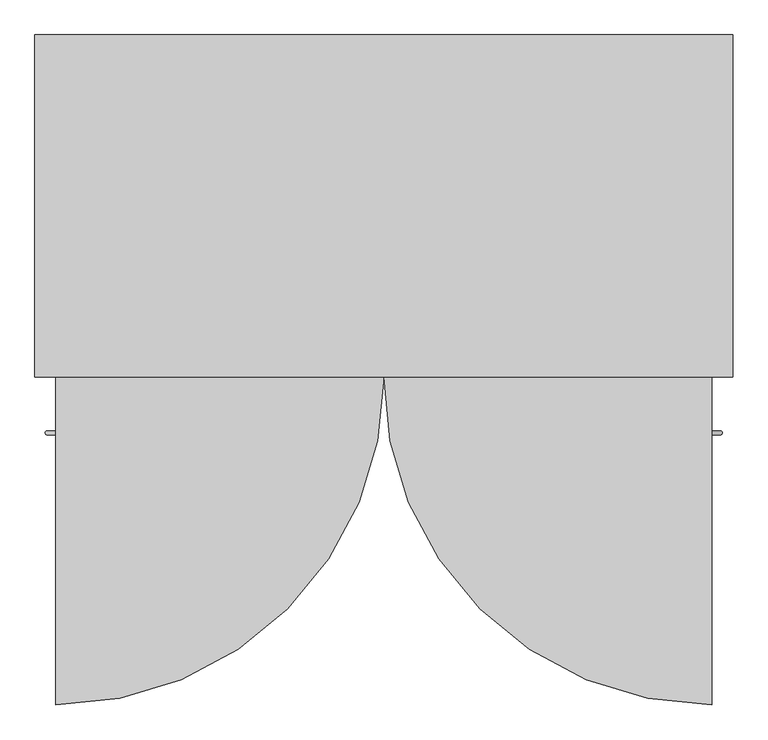
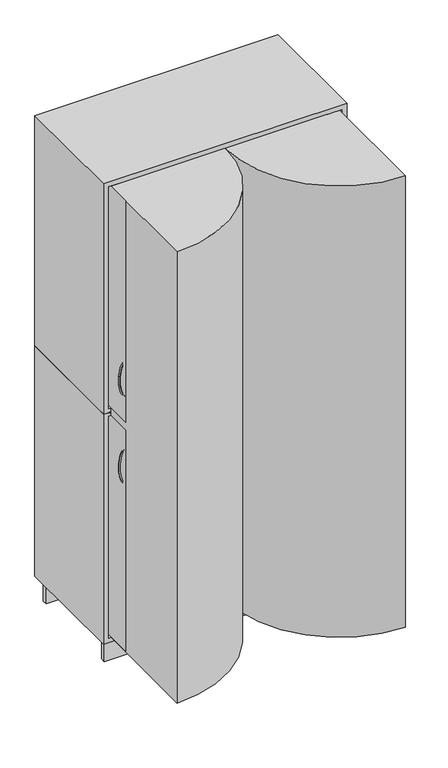
"""IFC4 building model written with IfcOpenShell, lengths in millimetres: furniture geometry."""

import ifcopenshell
import ifcopenshell.guid

model = None  # the IFC model being written
_history = None  # IfcOwnerHistory: only IFC2X3 demands one
_inside = {}  # id of a spatial element -> (the spatial element, [elements in it])
_under = {}  # id of a project, library or spatial element -> (it, [spatial elements below it])
_declared = {}  # id of a project -> (the project, [libraries it declares])
_typed = {}  # id of a type object -> (the type object, [elements of that type])
_made_of = {}  # id of a material, layer set ... -> (it, [elements and type objects made of it])


def new_model(schema):
    """Start an empty IFC model of exactly this schema.

    Asked for "IFC4X3", IfcOpenShell would pick the latest addendum, in which some entities
    have other attributes; the version numbers below select the first issue.
    IFC2X3 requires an IfcOwnerHistory on every rooted entity: one is made here for all.
    """
    global model, _history
    if schema == "IFC4X3":
        model = ifcopenshell.file(schema_version=(4, 3, 0, 0))
    else:
        model = ifcopenshell.file(schema=schema)
    _inside.clear()
    _under.clear()
    _declared.clear()
    _typed.clear()
    _made_of.clear()
    _history = None
    if model.schema == "IFC2X3":
        org = make("IfcOrganization", Name="unknown")
        user = make(
            "IfcPersonAndOrganization",
            ThePerson=make("IfcPerson", FamilyName="unknown"),
            TheOrganization=org,
        )
        app = make(
            "IfcApplication",
            ApplicationDeveloper=org,
            Version="unknown",
            ApplicationFullName="unknown",
            ApplicationIdentifier="unknown",
        )
        _history = make(
            "IfcOwnerHistory",
            OwningUser=user,
            OwningApplication=app,
            ChangeAction="ADDED",
            CreationDate=0,
        )
    return model


def make(cls, **values):
    """One entity of the class cls with the attributes given. An attribute that is None is left unset."""
    return model.create_entity(
        cls, **{name: value for name, value in values.items() if value is not None}
    )


def rooted(cls, **values):
    """An entity with a GlobalId (a new one), such as an element, a storey or a relation."""
    return make(cls, GlobalId=ifcopenshell.guid.new(), OwnerHistory=_history, **values)


def si_unit(unit_type, name, prefix=None):
    """IfcSIUnit, for example si_unit("LENGTHUNIT", "METRE", prefix="MILLI")."""
    return make("IfcSIUnit", UnitType=unit_type, Prefix=prefix, Name=name)


def assignment(units):
    """IfcUnitAssignment: the units of a project."""
    return None if units is None else make("IfcUnitAssignment", Units=units)


def point(xyz):
    """IfcCartesianPoint."""
    return None if xyz is None else make("IfcCartesianPoint", Coordinates=xyz)


def direction(xyz):
    """IfcDirection."""
    return None if xyz is None else make("IfcDirection", DirectionRatios=xyz)


def frame(location, z_axis=None, x_axis=None):
    """IfcAxis2Placement3D, a coordinate frame: its origin and axes. An axis left out is left unset."""
    return make(
        "IfcAxis2Placement3D",
        Location=point(location),
        Axis=direction(z_axis),
        RefDirection=direction(x_axis),
    )


def frame_2d(location, x_axis=None):
    """IfcAxis2Placement2D, a coordinate frame in the plane: its origin and x axis."""
    return make(
        "IfcAxis2Placement2D", Location=point(location), RefDirection=direction(x_axis)
    )


def origin():
    """The frame at (0, 0, 0) with its axes left unset."""
    return frame((0.0, 0.0, 0.0))


def place(relative_to, where):
    """IfcLocalPlacement: puts the frame where relative to a parent placement (None: the world)."""
    return make(
        "IfcLocalPlacement", PlacementRelTo=relative_to, RelativePlacement=where
    )


def context(
    kind, dimensions, precision=None, world=None, true_north=None, identifier=None
):
    """IfcGeometricRepresentationContext, for example the 3D "Model" context."""
    return make(
        "IfcGeometricRepresentationContext",
        ContextIdentifier=identifier,
        ContextType=kind,
        CoordinateSpaceDimension=dimensions,
        Precision=precision,
        WorldCoordinateSystem=world,
        TrueNorth=true_north,
    )


def project(units=None, contexts=None):
    """IfcProject with its units and contexts."""
    return rooted(
        "IfcProject",
        Name="project",
        RepresentationContexts=contexts,
        UnitsInContext=assignment(units),
    )


def spatial(cls, under=None, at=None, **own):
    """A site, building, storey or space (cls), placed at a placement, below another one or the project."""
    s = rooted(cls, ObjectPlacement=at, **own)
    if under is not None:
        _under.setdefault(under.id(), (under, []))[1].append(s)
    return s


def polyline(points):
    """IfcPolyline through the points."""
    return make("IfcPolyline", Points=[point(p) for p in points])


def circle_curve(where, radius):
    """IfcCircle in the frame where."""
    return make("IfcCircle", Position=where, Radius=radius)


def ellipse_curve(where, semi_axis1, semi_axis2):
    """IfcEllipse in the frame where."""
    return make(
        "IfcEllipse", Position=where, SemiAxis1=semi_axis1, SemiAxis2=semi_axis2
    )


def trimmed(basis, trim1, trim2, sense, master):
    """IfcTrimmedCurve: the piece of a basis curve between two trims."""
    return make(
        "IfcTrimmedCurve",
        BasisCurve=basis,
        Trim1=trim1,
        Trim2=trim2,
        SenseAgreement=sense,
        MasterRepresentation=master,
    )


def segment(curve, same_sense, transition):
    """IfcCompositeCurveSegment."""
    return make(
        "IfcCompositeCurveSegment",
        Transition=transition,
        SameSense=same_sense,
        ParentCurve=curve,
    )


def composite_curve(segments, self_intersect=None):
    """IfcCompositeCurve: segments joined end to end."""
    return make("IfcCompositeCurve", Segments=segments, SelfIntersect=self_intersect)


def outline(outer, holes=None, kind="AREA"):
    """IfcArbitraryClosedProfileDef: a profile drawn as a closed curve; with holes, ...WithVoids."""
    if holes is None:
        return make("IfcArbitraryClosedProfileDef", ProfileType=kind, OuterCurve=outer)
    return make(
        "IfcArbitraryProfileDefWithVoids",
        ProfileType=kind,
        OuterCurve=outer,
        InnerCurves=holes,
    )


def extrude(swept, where, along, depth):
    """IfcExtrudedAreaSolid: the profile swept, set in the frame where, extruded along a direction by depth."""
    return make(
        "IfcExtrudedAreaSolid",
        SweptArea=swept,
        Position=where,
        ExtrudedDirection=direction(along),
        Depth=depth,
    )


def faces_of(points, faces, orient=None, outer=None):
    """IfcFace entities. A face is a list of loops; a loop is a list of indices into points, from 0.

    orient and outer hold one flag for each loop. By default every Orientation is true, the
    first loop of a face is its IfcFaceOuterBound and the others are IfcFaceBound.
    """
    made = []
    for i, loops in enumerate(faces):
        bounds = []
        for j, loop in enumerate(loops):
            is_outer = j == 0 if outer is None else outer[i][j]
            bounds.append(
                make(
                    "IfcFaceOuterBound" if is_outer else "IfcFaceBound",
                    Bound=make("IfcPolyLoop", Polygon=[points[k] for k in loop]),
                    Orientation=True if orient is None else orient[i][j],
                )
            )
        made.append(make("IfcFace", Bounds=bounds))
    return made


def faceted_brep(points, faces, orient=None, outer=None, voids=None):
    """IfcFacetedBrep: a solid bounded by flat faces; with voids (closed shells), ...WithVoids."""
    shared = [point(p) for p in points]
    hull = make("IfcClosedShell", CfsFaces=faces_of(shared, faces, orient, outer))
    if voids is None:
        return make("IfcFacetedBrep", Outer=hull)
    return make(
        "IfcFacetedBrepWithVoids",
        Outer=hull,
        Voids=[
            make(cls, CfsFaces=faces_of(shared, fs, o, b)) for cls, fs, o, b in voids
        ],
    )


def shape(context_of_items, identifier, shape_type, items):
    """IfcShapeRepresentation: the items that make up one representation, for example the "Body"."""
    return make(
        "IfcShapeRepresentation",
        ContextOfItems=context_of_items,
        RepresentationIdentifier=identifier,
        RepresentationType=shape_type,
        Items=items,
    )


def source(mapping_origin, context_of_items, identifier, shape_type, items):
    """IfcRepresentationMap: a shape defined once, which mapped items show again and again."""
    return make(
        "IfcRepresentationMap",
        MappingOrigin=mapping_origin,
        MappedRepresentation=shape(context_of_items, identifier, shape_type, items),
    )


def transform(
    local_origin,
    x_axis=None,
    y_axis=None,
    z_axis=None,
    scale=None,
    scale2=None,
    scale3=None,
    uniform=True,
):
    """IfcCartesianTransformationOperator3D, or its non-uniform kind. x_axis, y_axis, z_axis: its Axis1, 2, 3."""
    if uniform:
        return make(
            "IfcCartesianTransformationOperator3D",
            Axis1=direction(x_axis),
            Axis2=direction(y_axis),
            LocalOrigin=point(local_origin),
            Scale=scale,
            Axis3=direction(z_axis),
        )
    return make(
        "IfcCartesianTransformationOperator3DnonUniform",
        Axis1=direction(x_axis),
        Axis2=direction(y_axis),
        LocalOrigin=point(local_origin),
        Scale=scale,
        Axis3=direction(z_axis),
        Scale2=scale2,
        Scale3=scale3,
    )


def mapped(mapping_source, mapping_target):
    """IfcMappedItem: shows the shape of a source again, moved by a transform."""
    return make(
        "IfcMappedItem", MappingSource=mapping_source, MappingTarget=mapping_target
    )


def made_of(thing, what):
    """Note that an element or type object is made of a material, layer set ...; save() writes the relation."""
    if what is not None:
        _made_of.setdefault(what.id(), (what, []))[1].append(thing)
    return thing


def element(
    cls,
    number,
    at=None,
    inside=None,
    cuts=None,
    type_object=None,
    material=None,
    context=None,
    identifier="Body",
    shape_type=None,
    held_by="IfcProductDefinitionShape",
    body=None,
    shapes=None,
    **own,
):
    """One element of the class cls, such as IfcWall. Its Tag is "e" and its number.

    at: its placement. inside: the storey or other place that contains it. cuts: it is an
    opening in that element (IfcRelVoidsElement). A single representation is given by context,
    identifier, shape_type and body (its items); several are given by shapes. held_by: the class
    of the entity that holds the representations. save() writes the other relations.
    """
    e = rooted(cls, Tag="e%d" % number, ObjectPlacement=at, **own)
    if body is not None:
        shapes = [shape(context, identifier, shape_type, body)]
    if shapes is not None:
        e.Representation = make(held_by, Representations=shapes)
    if inside is not None:
        _inside.setdefault(inside.id(), (inside, []))[1].append(e)
    if cuts is not None:
        rooted(
            "IfcRelVoidsElement", RelatingBuildingElement=cuts, RelatedOpeningElement=e
        )
    if type_object is not None:
        _typed.setdefault(type_object.id(), (type_object, []))[1].append(e)
    return made_of(e, material)


def aggregate(whole, parts):
    """IfcRelAggregates: a whole, such as a stair, and the parts it consists of."""
    return rooted("IfcRelAggregates", RelatingObject=whole, RelatedObjects=parts)


def save(model, path):
    """Write the relations noted so far, then the file.

    IfcRelAggregates (storeys below a building ...), IfcRelContainedInSpatialStructure (elements
    in a storey), IfcRelDefinesByType, IfcRelAssociatesMaterial and IfcRelDeclares: one each for
    every whole, place, type object, material and project.
    """
    for whole, parts in _under.values():
        aggregate(whole, parts)
    for where, things in _inside.values():
        rooted(
            "IfcRelContainedInSpatialStructure",
            RelatedElements=things,
            RelatingStructure=where,
        )
    for kind, things in _typed.values():
        rooted("IfcRelDefinesByType", RelatedObjects=things, RelatingType=kind)
    for what, things in _made_of.values():
        rooted("IfcRelAssociatesMaterial", RelatedObjects=things, RelatingMaterial=what)
    for by, libraries in _declared.values():
        rooted("IfcRelDeclares", RelatingContext=by, RelatedDefinitions=libraries)
    model.write(path)


def plane_surface(at):
    """IfcPlane: the flat surface through the origin of the frame at, square to its z axis."""
    return make("IfcPlane", Position=at)


def revolved_surface(curve, axis_point, axis_direction):
    """IfcSurfaceOfRevolution: the curve turned about the line through axis_point along axis_direction."""
    return make(
        "IfcSurfaceOfRevolution",
        SweptCurve=make("IfcArbitraryOpenProfileDef", ProfileType="CURVE", Curve=curve),
        AxisPosition=make("IfcAxis1Placement", Location=point(axis_point), Axis=direction(axis_direction)),
    )


def advanced_brep(points, edges, surfaces, faces):
    """IfcAdvancedBrep: a solid bounded by faces that lie on surfaces and meet in shared edges.

    An edge is (start, end): straight between two places in points (the first is 0);
    or (start, end, curve); or (start, end, curve, False) where it runs against its curve.
    A face is (place in surfaces, loops), or (place, loops, False) where it looks against
    its surface's normal. A loop lists edges by number (the first is 1), with a minus sign
    where the edge is run from its end to its start. The first loop is the outer one.
    """
    corners = [point(p) for p in points]
    vertices = [make("IfcVertexPoint", VertexGeometry=c) for c in corners]
    made = []
    for start, end, *more in edges:
        made.append(
            make(
                "IfcEdgeCurve",
                EdgeStart=vertices[start],
                EdgeEnd=vertices[end],
                EdgeGeometry=more[0] if more else make("IfcPolyline", Points=[corners[start], corners[end]]),
                SameSense=more[1] if len(more) > 1 else True,
            )
        )
    hull = []
    for where, loops, *sense in faces:
        bounds = []
        for j, loop in enumerate(loops):
            ring = [make("IfcOrientedEdge", EdgeElement=made[abs(k) - 1], Orientation=k > 0) for k in loop]
            bounds.append(
                make(
                    "IfcFaceOuterBound" if j == 0 else "IfcFaceBound",
                    Bound=make("IfcEdgeLoop", EdgeList=ring),
                    Orientation=True,
                )
            )
        hull.append(make("IfcAdvancedFace", Bounds=bounds, FaceSurface=surfaces[where], SameSense=sense[0] if sense else True))
    return make("IfcAdvancedBrep", Outer=make("IfcClosedShell", CfsFaces=hull))


def furniture_e73c1723(model_context):
    return source(origin(), model_context, "Body", "SolidModel", [
        advanced_brep(
        [(463.9190238, -273.6958795, 828.1481519), (458.7228713, -273.6958795, 831.1481519), (463.9190238, -273.6958795, 992.6642581), (458.7228713, -273.6958795, 989.6642581)],
        [
            (0, 1, circle_curve(frame((461.3209475, -273.6958795, 829.6481519), z_axis=(-0.4999999999999887, 0.0, -0.8660254037844453), x_axis=(-0.8660254037844453, 0.0, 0.4999999999999887)), 3.0)),
            (1, 0, circle_curve(frame((461.3209475, -273.6958795, 829.6481519), z_axis=(-0.4999999999999887, 0.0, -0.8660254037844453), x_axis=(-0.8660254037844453, 0.0, 0.4999999999999887)), 3.0)),
            (2, 3, circle_curve(frame((461.3209475, -273.6958795, 991.1642581), z_axis=(-0.5000000000000103, 0.0, 0.8660254037844328), x_axis=(-0.8660254037844328, 0.0, -0.5000000000000103)), 3.0)),
            (3, 2, circle_curve(frame((461.3209475, -273.6958795, 991.1642581), z_axis=(-0.5000000000000103, 0.0, 0.8660254037844328), x_axis=(-0.8660254037844328, 0.0, -0.5000000000000103)), 3.0)),
            (3, 1, circle_curve(frame((321.4438964, -273.6958795, 910.406205), z_axis=(0.0, 1.0, 0.0), x_axis=(0.8660254037844453, 0.0, -0.4999999999999887)), 158.5161063)),
            (0, 2, circle_curve(frame((321.4438964, -273.6958795, 910.406205), z_axis=(0.0, -1.0, 0.0), x_axis=(0.8660254037844453, 0.0, -0.4999999999999887)), 164.5161063)),
        ],
        [
            plane_surface(frame((461.3209475, -298.6958795, 829.6481519), z_axis=(-0.4999999999999887, 0.0, -0.8660254037844453), x_axis=(0.0, -1.0, 0.0))),
            plane_surface(frame((461.3209475, -298.6958795, 991.1642581), z_axis=(-0.5000000000000103, 0.0, 0.8660254037844328), x_axis=(0.0, -1.0, 0.0))),
            revolved_surface(trimmed(ellipse_curve(frame((461.3209475, -273.6958795, 829.6481519), z_axis=(-0.4999999999999887, 0.0, -0.8660254037844453), x_axis=(-0.8660254037844453, 0.0, 0.4999999999999887)), 3.0, 3.0), [point((463.9190238, -273.6958795, 828.1481519))], [point((458.7228713, -273.6958795, 831.1481519))], True, "CARTESIAN"), (321.4438964, -298.6958795, 910.406205), (0.0, -1.0, 0.0)),
            revolved_surface(trimmed(ellipse_curve(frame((461.3209475, -273.6958795, 829.6481519), z_axis=(-0.4999999999999887, 0.0, -0.8660254037844453), x_axis=(-0.8660254037844453, 0.0, 0.4999999999999887)), 3.0, 3.0), [point((458.7228713, -273.6958795, 831.1481519))], [point((463.9190238, -273.6958795, 828.1481519))], True, "CARTESIAN"), (321.4438964, -298.6958795, 910.406205), (0.0, -1.0, 0.0)),
        ],
        [
            (0, [[1, 2]]),
            (1, [[3, 4]]),
            (2, [[5, -1, 6, -4]]),
            (3, [[-6, -2, -5, -3]]),
        ],
    ),
        advanced_brep(
        [(-458.7228713, -273.6958795, 831.1481519), (-463.9190238, -273.6958795, 828.1481519), (-458.7228713, -273.6958795, 989.6642581), (-463.9190238, -273.6958795, 992.6642581)],
        [
            (0, 1, circle_curve(frame((-461.3209475, -273.6958795, 829.6481519), z_axis=(0.4999999999999887, 0.0, -0.8660254037844453), x_axis=(-0.8660254037844453, 0.0, -0.4999999999999887)), 3.0)),
            (1, 0, circle_curve(frame((-461.3209475, -273.6958795, 829.6481519), z_axis=(0.4999999999999887, 0.0, -0.8660254037844453), x_axis=(-0.8660254037844453, 0.0, -0.4999999999999887)), 3.0)),
            (2, 3, circle_curve(frame((-461.3209475, -273.6958795, 991.1642581), z_axis=(0.5000000000000103, 0.0, 0.8660254037844328), x_axis=(-0.8660254037844328, 0.0, 0.5000000000000103)), 3.0)),
            (3, 2, circle_curve(frame((-461.3209475, -273.6958795, 991.1642581), z_axis=(0.5000000000000103, 0.0, 0.8660254037844328), x_axis=(-0.8660254037844328, 0.0, 0.5000000000000103)), 3.0)),
            (2, 0, circle_curve(frame((-321.4438964, -273.6958795, 910.406205), z_axis=(0.0, -1.0, 0.0), x_axis=(-0.8660254037844453, 0.0, -0.4999999999999887)), 158.5161063)),
            (1, 3, circle_curve(frame((-321.4438964, -273.6958795, 910.406205), z_axis=(0.0, 1.0, 0.0), x_axis=(-0.8660254037844453, 0.0, -0.4999999999999887)), 164.5161063)),
        ],
        [
            plane_surface(frame((-461.3209475, -298.6958795, 829.6481519), z_axis=(0.4999999999999887, 0.0, -0.8660254037844453), x_axis=(0.0, -1.0, 0.0))),
            plane_surface(frame((-461.3209475, -298.6958795, 991.1642581), z_axis=(0.5000000000000103, 0.0, 0.8660254037844328), x_axis=(0.0, -1.0, 0.0))),
            revolved_surface(trimmed(ellipse_curve(frame((-461.3209475, -273.6958795, 829.6481519), z_axis=(0.4999999999999887, 0.0, -0.8660254037844453), x_axis=(-0.8660254037844453, 0.0, -0.4999999999999887)), 3.0, 3.0), [point((-463.9190238, -273.6958795, 828.1481519))], [point((-458.7228713, -273.6958795, 831.1481519))], True, "CARTESIAN"), (-321.4438964, -298.6958795, 910.406205), (0.0, 1.0, 0.0)),
            revolved_surface(trimmed(ellipse_curve(frame((-461.3209475, -273.6958795, 829.6481519), z_axis=(0.4999999999999887, 0.0, -0.8660254037844453), x_axis=(-0.8660254037844453, 0.0, -0.4999999999999887)), 3.0, 3.0), [point((-458.7228713, -273.6958795, 831.1481519))], [point((-463.9190238, -273.6958795, 828.1481519))], True, "CARTESIAN"), (-321.4438964, -298.6958795, 910.406205), (0.0, 1.0, 0.0)),
        ],
        [
            (0, [[1, 2]]),
            (1, [[3, 4]]),
            (2, [[5, -2, 6, -3]]),
            (3, [[-6, -1, -5, -4]]),
        ],
    ),
        advanced_brep(
        [(461.3209475, -270.6958795, 1370.3518481), (461.3209475, -276.6958795, 1370.3518481), (461.3209475, -270.6958795, 1208.8357419), (461.3209475, -276.6958795, 1208.8357419)],
        [
            (0, 1, circle_curve(frame((461.3209475, -273.6958795, 1370.3518481), z_axis=(-0.4999999999999887, 0.0, 0.8660254037844453), x_axis=(0.0, -1.0, 0.0)), 3.0)),
            (1, 0, circle_curve(frame((461.3209475, -273.6958795, 1370.3518481), z_axis=(-0.4999999999999887, 0.0, 0.8660254037844453), x_axis=(0.0, -1.0, 0.0)), 3.0)),
            (2, 3, circle_curve(frame((461.3209475, -273.6958795, 1208.8357419), z_axis=(-0.5000000000000103, 0.0, -0.8660254037844328), x_axis=(0.0, -1.0, 0.0)), 3.0)),
            (3, 2, circle_curve(frame((461.3209475, -273.6958795, 1208.8357419), z_axis=(-0.5000000000000103, 0.0, -0.8660254037844328), x_axis=(0.0, -1.0, 0.0)), 3.0)),
            (2, 0, circle_curve(frame((321.4438964, -270.6958795, 1289.593795), z_axis=(0.0, -1.0, 0.0), x_axis=(0.8660254037844453, 0.0, 0.4999999999999887)), 161.5161063)),
            (1, 3, circle_curve(frame((321.4438964, -276.6958795, 1289.593795), z_axis=(0.0, 1.0, 0.0), x_axis=(0.8660254037844453, 0.0, 0.4999999999999887)), 161.5161063)),
        ],
        [
            plane_surface(frame((461.3209475, -298.6958795, 1370.3518481), z_axis=(-0.4999999999999887, 0.0, 0.8660254037844453), x_axis=(0.0, -1.0, 0.0))),
            plane_surface(frame((461.3209475, -298.6958795, 1208.8357419), z_axis=(-0.5000000000000103, 0.0, -0.8660254037844328), x_axis=(0.0, -1.0, 0.0))),
            revolved_surface(trimmed(ellipse_curve(frame((461.3209475, -273.6958795, 1370.3518481), z_axis=(-0.4999999999999887, 0.0, 0.8660254037844453), x_axis=(0.0, -1.0, 0.0)), 3.0, 3.0), [point((461.3209475, -276.6958795, 1370.3518481))], [point((461.3209475, -270.6958795, 1370.3518481))], True, "CARTESIAN"), (321.4438964, -298.6958795, 1289.593795), (0.0, 1.0, 0.0)),
            revolved_surface(trimmed(ellipse_curve(frame((461.3209475, -273.6958795, 1370.3518481), z_axis=(-0.4999999999999887, 0.0, 0.8660254037844453), x_axis=(0.0, -1.0, 0.0)), 3.0, 3.0), [point((461.3209475, -270.6958795, 1370.3518481))], [point((461.3209475, -276.6958795, 1370.3518481))], True, "CARTESIAN"), (321.4438964, -298.6958795, 1289.593795), (0.0, 1.0, 0.0)),
        ],
        [
            (0, [[1, 2]]),
            (1, [[3, 4]]),
            (2, [[5, -2, 6, -3]]),
            (3, [[-6, -1, -5, -4]]),
        ],
    ),
        advanced_brep(
        [(-461.3209475, -270.6958795, 1370.3518481), (-461.3209475, -276.6958795, 1370.3518481), (-461.3209475, -270.6958795, 1208.8357419), (-461.3209475, -276.6958795, 1208.8357419)],
        [
            (0, 1, circle_curve(frame((-461.3209475, -273.6958795, 1370.3518481), z_axis=(0.4999999999999887, 0.0, 0.8660254037844453), x_axis=(0.0, -1.0, 0.0)), 3.0)),
            (1, 0, circle_curve(frame((-461.3209475, -273.6958795, 1370.3518481), z_axis=(0.4999999999999887, 0.0, 0.8660254037844453), x_axis=(0.0, -1.0, 0.0)), 3.0)),
            (2, 3, circle_curve(frame((-461.3209475, -273.6958795, 1208.8357419), z_axis=(0.5000000000000103, 0.0, -0.8660254037844328), x_axis=(0.0, -1.0, 0.0)), 3.0)),
            (3, 2, circle_curve(frame((-461.3209475, -273.6958795, 1208.8357419), z_axis=(0.5000000000000103, 0.0, -0.8660254037844328), x_axis=(0.0, -1.0, 0.0)), 3.0)),
            (3, 1, circle_curve(frame((-321.4438964, -276.6958795, 1289.593795), z_axis=(0.0, 1.0, 0.0), x_axis=(-0.8660254037844453, 0.0, 0.4999999999999887)), 161.5161063)),
            (0, 2, circle_curve(frame((-321.4438964, -270.6958795, 1289.593795), z_axis=(0.0, -1.0, 0.0), x_axis=(-0.8660254037844453, 0.0, 0.4999999999999887)), 161.5161063)),
        ],
        [
            plane_surface(frame((-461.3209475, -298.6958795, 1370.3518481), z_axis=(0.4999999999999887, 0.0, 0.8660254037844453), x_axis=(0.0, -1.0, 0.0))),
            plane_surface(frame((-461.3209475, -298.6958795, 1208.8357419), z_axis=(0.5000000000000103, 0.0, -0.8660254037844328), x_axis=(0.0, -1.0, 0.0))),
            revolved_surface(trimmed(ellipse_curve(frame((-461.3209475, -273.6958795, 1370.3518481), z_axis=(0.4999999999999887, 0.0, 0.8660254037844453), x_axis=(0.0, -1.0, 0.0)), 3.0, 3.0), [point((-461.3209475, -270.6958795, 1370.3518481))], [point((-461.3209475, -276.6958795, 1370.3518481))], True, "CARTESIAN"), (-321.4438964, -298.6958795, 1289.593795), (0.0, -1.0, 0.0)),
            revolved_surface(trimmed(ellipse_curve(frame((-461.3209475, -273.6958795, 1370.3518481), z_axis=(0.4999999999999887, 0.0, 0.8660254037844453), x_axis=(0.0, -1.0, 0.0)), 3.0, 3.0), [point((-461.3209475, -276.6958795, 1370.3518481))], [point((-461.3209475, -270.6958795, 1370.3518481))], True, "CARTESIAN"), (-321.4438964, -298.6958795, 1289.593795), (0.0, -1.0, 0.0)),
        ],
        [
            (0, [[1, 2]]),
            (1, [[3, 4]]),
            (2, [[5, -1, 6, -4]]),
            (3, [[-6, -2, -5, -3]]),
        ],
    ),
        faceted_brep([(500.0, 296.5, 2100.0), (-500.0, 296.5, 2100.0), (-500.0, -193.5, 2100.0), (500.0, -193.5, 2100.0), (500.0, 296.5, 1100.0), (500.0, -193.5, 1100.0), (480.0, -193.5, 1100.0), (480.0, 276.5, 1100.0), (-480.0, 276.5, 1100.0), (-480.0, -193.5, 1100.0), (-500.0, -193.5, 1100.0), (-500.0, 296.5, 1100.0), (-480.0, -193.5, 1102.5), (480.0, -193.5, 1102.5), (-480.0, -193.5, 2080.0), (-440.0, -193.5, 2080.0), (-440.0, -193.5, 1116.0), (-480.0, -193.5, 1116.0), (440.0, -193.5, 1116.0), (440.0, -193.5, 2080.0), (480.0, -193.5, 2080.0), (480.0, -193.5, 1116.0), (-420.0, -193.5, 1116.0), (-420.0, -193.5, 2080.0), (420.0, -193.5, 2080.0), (420.0, -193.5, 1116.0), (-420.0, 276.5, 1116.0), (420.0, 276.5, 1116.0), (420.0, 276.5, 1431.5), (-420.0, 276.5, 1431.5), (420.0, 276.5, 2080.0), (-420.0, 276.5, 2080.0), (-420.0, 276.5, 1897.5), (420.0, 276.5, 1897.5), (-420.0, 276.5, 1879.5), (-420.0, 276.5, 1673.5), (420.0, 276.5, 1673.5), (420.0, 276.5, 1879.5), (-420.0, 276.5, 1655.5), (-420.0, 276.5, 1449.5), (420.0, 276.5, 1449.5), (420.0, 276.5, 1655.5), (-420.0, -183.5, 1431.5), (-420.0, -183.5, 1449.5), (-420.0, -183.5, 1655.5), (-420.0, -183.5, 1673.5), (-420.0, -183.5, 1879.5), (-420.0, -183.5, 1897.5), (420.0, -183.5, 1897.5), (420.0, -183.5, 1879.5), (420.0, -183.5, 1673.5), (420.0, -183.5, 1655.5), (420.0, -183.5, 1449.5), (420.0, -183.5, 1431.5), (-440.0, 276.5, 2080.0), (-480.0, 276.5, 2080.0), (-480.0, 276.5, 1116.0), (-440.0, 276.5, 1116.0), (440.0, 276.5, 2080.0), (440.0, 276.5, 1116.0), (480.0, 276.5, 1116.0), (480.0, 276.5, 2080.0), (480.0, 276.5, 1102.5), (-480.0, 276.5, 1102.5)], [[[0, 1, 2, 3]], [[4, 5, 6, 7, 8, 9, 10, 11]], [[1, 0, 4, 11]], [[2, 1, 11, 10]], [[3, 2, 10, 9, 12, 13, 6, 5], [14, 15, 16, 17], [18, 19, 20, 21], [22, 23, 24, 25]], [[0, 3, 5, 4]], [[26, 27, 28, 29]], [[30, 31, 32, 33]], [[34, 35, 36, 37]], [[38, 39, 40, 41]], [[22, 26, 29, 42, 43, 39, 38, 44, 45, 35, 34, 46, 47, 32, 31, 23]], [[27, 26, 22, 25]], [[27, 25, 24, 30, 33, 48, 49, 37, 36, 50, 51, 41, 40, 52, 53, 28]], [[31, 30, 24, 23]], [[54, 55, 56, 57]], [[58, 59, 60, 61]], [[55, 54, 15, 14]], [[54, 57, 16, 15]], [[56, 55, 14, 17]], [[57, 56, 17, 16]], [[59, 58, 19, 18]], [[60, 59, 18, 21]], [[61, 60, 21, 20]], [[58, 61, 20, 19]], [[49, 46, 34, 37]], [[47, 48, 33, 32]], [[51, 44, 38, 41]], [[45, 50, 36, 35]], [[53, 42, 29, 28]], [[43, 52, 40, 39]], [[62, 63, 8, 7]], [[63, 62, 13, 12]], [[63, 12, 9, 8]], [[13, 62, 7, 6]], [[48, 47, 46, 49]], [[50, 45, 44, 51]], [[52, 43, 42, 53]]]),
        extrude(outline(polyline([(-451.0, -296.5), (-470.0, -296.5), (-470.0, 276.5), (-451.0, 276.5), (-451.0, -296.5)])), frame((0.0, 0.0, 122.0), z_axis=(0.0, 0.0, 1.0), x_axis=(1.0, 0.0, 0.0)), (0.0, 0.0, 1.0), 960.0),
        extrude(outline(polyline([(-451.0, -296.5), (-470.0, -296.5), (-470.0, 276.5), (-451.0, 276.5), (-451.0, -296.5)])), frame((0.0, 0.0, 1118.0), z_axis=(0.0, 0.0, 1.0), x_axis=(1.0, 0.0, 0.0)), (0.0, 0.0, 1.0), 960.0),
        extrude(outline(polyline([(470.0, -296.5), (451.0, -296.5), (451.0, 276.5), (470.0, 276.5), (470.0, -296.5)])), frame((0.0, 0.0, 122.0), z_axis=(0.0, 0.0, 1.0), x_axis=(1.0, 0.0, 0.0)), (0.0, 0.0, 1.0), 960.0),
        extrude(outline(polyline([(470.0, -296.5), (451.0, -296.5), (451.0, 276.5), (470.0, 276.5), (470.0, -296.5)])), frame((0.0, 0.0, 1118.0), z_axis=(0.0, 0.0, 1.0), x_axis=(1.0, 0.0, 0.0)), (0.0, 0.0, 1.0), 960.0),
        faceted_brep([(500.0, 296.5, 1100.0), (-500.0, 296.5, 1100.0), (-500.0, -193.5, 1100.0), (-480.0, -193.5, 1100.0), (-480.0, 276.5, 1100.0), (480.0, 276.5, 1100.0), (480.0, -193.5, 1100.0), (500.0, -193.5, 1100.0), (500.0, 296.5, 100.0), (500.0, -193.5, 100.0), (-500.0, -193.5, 100.0), (-500.0, 296.5, 100.0), (-480.0, -163.5, 100.0), (480.0, -163.5, 100.0), (480.0, -143.5, 100.0), (-480.0, -143.5, 100.0), (-480.0, 250.5, 100.0), (480.0, 250.5, 100.0), (480.0, 270.5, 100.0), (-480.0, 270.5, 100.0), (480.0, -193.5, 1097.5), (-480.0, -193.5, 1097.5), (-480.0, -193.5, 120.0), (-480.0, -193.5, 1084.0), (-440.0, -193.5, 1084.0), (-440.0, -193.5, 120.0), (440.0, -193.5, 1084.0), (480.0, -193.5, 1084.0), (480.0, -193.5, 120.0), (440.0, -193.5, 120.0), (-420.0, -193.5, 120.0), (-420.0, -193.5, 1084.0), (420.0, -193.5, 1084.0), (420.0, -193.5, 120.0), (-480.0, 276.5, 1084.0), (-480.0, 276.5, 120.0), (-440.0, 276.5, 120.0), (-440.0, 276.5, 1084.0), (480.0, 276.5, 1084.0), (440.0, 276.5, 1084.0), (440.0, 276.5, 120.0), (480.0, 276.5, 120.0), (-420.0, 276.5, 120.0), (420.0, 276.5, 120.0), (420.0, 276.5, 334.5), (-420.0, 276.5, 334.5), (420.0, 276.5, 1084.0), (-420.0, 276.5, 1084.0), (-420.0, 276.5, 832.5), (420.0, 276.5, 832.5), (-420.0, 276.5, 814.5), (-420.0, 276.5, 576.5), (420.0, 276.5, 576.5), (420.0, 276.5, 814.5), (-420.0, 276.5, 558.5), (-420.0, 276.5, 352.5), (420.0, 276.5, 352.5), (420.0, 276.5, 558.5), (-420.0, -183.5, 334.5), (-420.0, -183.5, 352.5), (-420.0, -183.5, 558.5), (-420.0, -183.5, 576.5), (-420.0, -183.5, 814.5), (-420.0, -183.5, 832.5), (420.0, -183.5, 832.5), (420.0, -183.5, 814.5), (420.0, -183.5, 576.5), (420.0, -183.5, 558.5), (420.0, -183.5, 352.5), (420.0, -183.5, 334.5), (-480.0, -163.5, 0.0), (-480.0, -143.5, 0.0), (480.0, -143.5, 0.0), (480.0, -163.5, 0.0), (-480.0, 250.5, 0.0), (-480.0, 270.5, 0.0), (480.0, 270.5, 0.0), (480.0, 250.5, 0.0), (-480.0, 276.5, 1097.5), (480.0, 276.5, 1097.5)], [[[0, 1, 2, 3, 4, 5, 6, 7]], [[8, 9, 10, 11], [12, 13, 14, 15], [16, 17, 18, 19]], [[1, 0, 8, 11]], [[2, 1, 11, 10]], [[10, 9, 7, 6, 20, 21, 3, 2], [22, 23, 24, 25], [26, 27, 28, 29], [30, 31, 32, 33]], [[0, 7, 9, 8]], [[34, 35, 36, 37]], [[38, 39, 40, 41]], [[35, 34, 23, 22]], [[36, 35, 22, 25]], [[37, 36, 25, 24]], [[42, 43, 44, 45]], [[46, 47, 48, 49]], [[50, 51, 52, 53]], [[54, 55, 56, 57]], [[30, 42, 45, 58, 59, 55, 54, 60, 61, 51, 50, 62, 63, 48, 47, 31]], [[43, 42, 30, 33]], [[43, 33, 32, 46, 49, 64, 65, 53, 52, 66, 67, 57, 56, 68, 69, 44]], [[47, 46, 32, 31]], [[34, 37, 24, 23]], [[39, 38, 27, 26]], [[40, 39, 26, 29]], [[41, 40, 29, 28]], [[38, 41, 28, 27]], [[65, 62, 50, 53]], [[63, 64, 49, 48]], [[61, 66, 52, 51]], [[67, 60, 54, 57]], [[69, 58, 45, 44]], [[59, 68, 56, 55]], [[70, 71, 72, 73]], [[74, 75, 76, 77]], [[70, 73, 13, 12]], [[73, 72, 14, 13]], [[72, 71, 15, 14]], [[71, 70, 12, 15]], [[74, 77, 17, 16]], [[77, 76, 18, 17]], [[76, 75, 19, 18]], [[75, 74, 16, 19]], [[78, 79, 5, 4]], [[21, 78, 4, 3]], [[79, 78, 21, 20]], [[79, 20, 6, 5]], [[64, 63, 62, 65]], [[66, 61, 60, 67]], [[68, 59, 58, 69]]]),
        extrude(outline(composite_curve([segment(polyline([(0.0, -193.5), (470.0, -193.5), (470.0, -663.5)]), True, "CONTINUOUS"), segment(trimmed(circle_curve(frame_2d((470.0, -193.5)), 470.0), [point((470.0, -663.5))], [point((0.0, -193.5))], False, "CARTESIAN"), True, "CONTINUOUS")], self_intersect=False)), frame((0.0, 0.0, 120.0), z_axis=(0.0, 0.0, 1.0), x_axis=(1.0, 0.0, 0.0)), (0.0, 0.0, 1.0), 1960.0),
        extrude(outline(composite_curve([segment(trimmed(circle_curve(frame_2d((-470.0, -193.5)), 470.0), [point((0.0, -193.5))], [point((-470.0, -663.5))], False, "CARTESIAN"), True, "CONTINUOUS"), segment(polyline([(-470.0, -663.5), (-470.0, -193.5), (0.0, -193.5)]), True, "CONTINUOUS")], self_intersect=False)), frame((0.0, 0.0, 120.0), z_axis=(0.0, 0.0, 1.0), x_axis=(1.0, 0.0, 0.0)), (0.0, 0.0, 1.0), 1960.0),
    ])


if __name__ == "__main__":
    model = new_model("IFC4")
    model_context = context("Model", 3, world=origin())
    ifc_project = project(units=[si_unit("LENGTHUNIT", "METRE", prefix="MILLI")], contexts=[model_context])
    site = spatial("IfcSite", under=ifc_project)
    building = spatial("IfcBuilding", under=site)
    placement = place(None, origin())
    furniture_shape = furniture_e73c1723(model_context)
    element("IfcFurniture", 1, at=placement, inside=building, context=model_context, shape_type="MappedRepresentation", body=[
        mapped(furniture_shape, transform((0.0, 0.0, 0.0), x_axis=(1.0, 0.0, 0.0), y_axis=(0.0, 1.0, 0.0), z_axis=(0.0, 0.0, 1.0))),
    ])
    save(model, "model.ifc")
